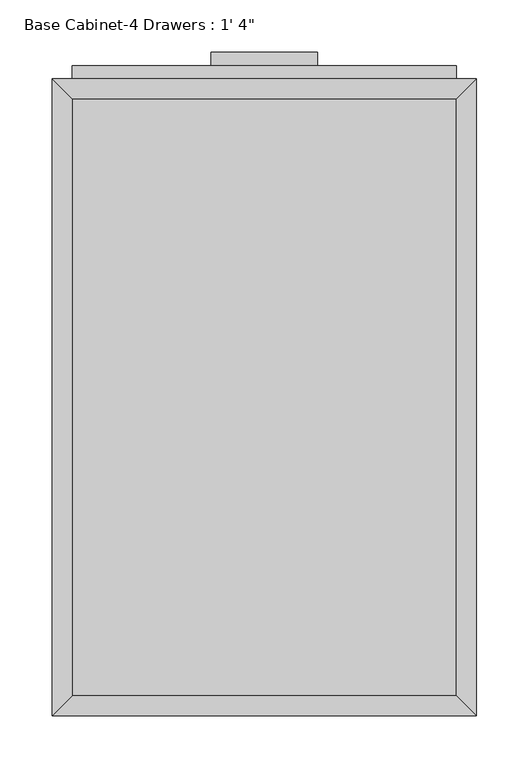
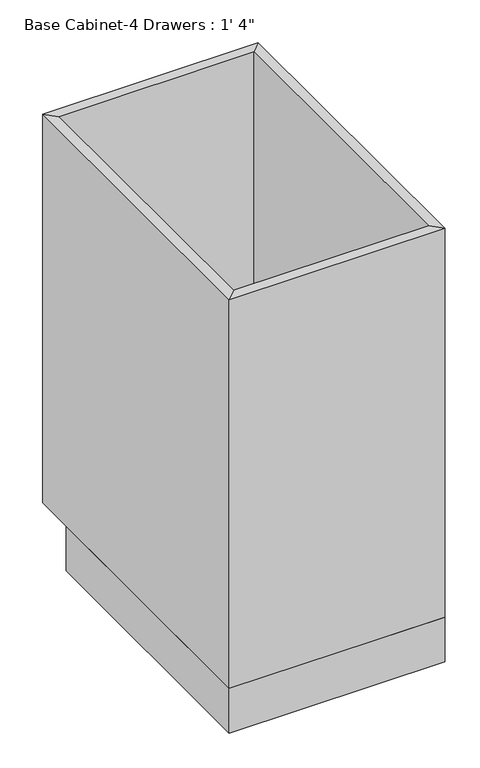
"""IFC4 building model written with IfcOpenShell, lengths in millimetres: furniture geometry."""

import ifcopenshell
import ifcopenshell.guid

model = None  # the IFC model being written
_history = None  # IfcOwnerHistory: only IFC2X3 demands one
_inside = {}  # id of a spatial element -> (the spatial element, [elements in it])
_under = {}  # id of a project, library or spatial element -> (it, [spatial elements below it])
_declared = {}  # id of a project -> (the project, [libraries it declares])
_typed = {}  # id of a type object -> (the type object, [elements of that type])
_made_of = {}  # id of a material, layer set ... -> (it, [elements and type objects made of it])


def new_model(schema):
    """Start an empty IFC model of exactly this schema.

    Asked for "IFC4X3", IfcOpenShell would pick the latest addendum, in which some entities
    have other attributes; the version numbers below select the first issue.
    IFC2X3 requires an IfcOwnerHistory on every rooted entity: one is made here for all.
    """
    global model, _history
    if schema == "IFC4X3":
        model = ifcopenshell.file(schema_version=(4, 3, 0, 0))
    else:
        model = ifcopenshell.file(schema=schema)
    _inside.clear()
    _under.clear()
    _declared.clear()
    _typed.clear()
    _made_of.clear()
    _history = None
    if model.schema == "IFC2X3":
        org = make("IfcOrganization", Name="unknown")
        user = make(
            "IfcPersonAndOrganization",
            ThePerson=make("IfcPerson", FamilyName="unknown"),
            TheOrganization=org,
        )
        app = make(
            "IfcApplication",
            ApplicationDeveloper=org,
            Version="unknown",
            ApplicationFullName="unknown",
            ApplicationIdentifier="unknown",
        )
        _history = make(
            "IfcOwnerHistory",
            OwningUser=user,
            OwningApplication=app,
            ChangeAction="ADDED",
            CreationDate=0,
        )
    return model


def make(cls, **values):
    """One entity of the class cls with the attributes given. An attribute that is None is left unset."""
    return model.create_entity(
        cls, **{name: value for name, value in values.items() if value is not None}
    )


def rooted(cls, **values):
    """An entity with a GlobalId (a new one), such as an element, a storey or a relation."""
    return make(cls, GlobalId=ifcopenshell.guid.new(), OwnerHistory=_history, **values)


def si_unit(unit_type, name, prefix=None):
    """IfcSIUnit, for example si_unit("LENGTHUNIT", "METRE", prefix="MILLI")."""
    return make("IfcSIUnit", UnitType=unit_type, Prefix=prefix, Name=name)


def assignment(units):
    """IfcUnitAssignment: the units of a project."""
    return None if units is None else make("IfcUnitAssignment", Units=units)


def point(xyz):
    """IfcCartesianPoint."""
    return None if xyz is None else make("IfcCartesianPoint", Coordinates=xyz)


def direction(xyz):
    """IfcDirection."""
    return None if xyz is None else make("IfcDirection", DirectionRatios=xyz)


def frame(location, z_axis=None, x_axis=None):
    """IfcAxis2Placement3D, a coordinate frame: its origin and axes. An axis left out is left unset."""
    return make(
        "IfcAxis2Placement3D",
        Location=point(location),
        Axis=direction(z_axis),
        RefDirection=direction(x_axis),
    )


def origin():
    """The frame at (0, 0, 0) with its axes left unset."""
    return frame((0.0, 0.0, 0.0))


def origin_with_axes():
    """The frame at (0, 0, 0) with the z axis (0, 0, 1) and the x axis (1, 0, 0) written out."""
    return frame((0.0, 0.0, 0.0), z_axis=(0.0, 0.0, 1.0), x_axis=(1.0, 0.0, 0.0))


def place(relative_to, where):
    """IfcLocalPlacement: puts the frame where relative to a parent placement (None: the world)."""
    return make(
        "IfcLocalPlacement", PlacementRelTo=relative_to, RelativePlacement=where
    )


def context(
    kind, dimensions, precision=None, world=None, true_north=None, identifier=None
):
    """IfcGeometricRepresentationContext, for example the 3D "Model" context."""
    return make(
        "IfcGeometricRepresentationContext",
        ContextIdentifier=identifier,
        ContextType=kind,
        CoordinateSpaceDimension=dimensions,
        Precision=precision,
        WorldCoordinateSystem=world,
        TrueNorth=true_north,
    )


def project(units=None, contexts=None):
    """IfcProject with its units and contexts."""
    return rooted(
        "IfcProject",
        Name="project",
        RepresentationContexts=contexts,
        UnitsInContext=assignment(units),
    )


def spatial(cls, under=None, at=None, **own):
    """A site, building, storey or space (cls), placed at a placement, below another one or the project."""
    s = rooted(cls, ObjectPlacement=at, **own)
    if under is not None:
        _under.setdefault(under.id(), (under, []))[1].append(s)
    return s


def polyline(points):
    """IfcPolyline through the points."""
    return make("IfcPolyline", Points=[point(p) for p in points])


def outline(outer, holes=None, kind="AREA"):
    """IfcArbitraryClosedProfileDef: a profile drawn as a closed curve; with holes, ...WithVoids."""
    if holes is None:
        return make("IfcArbitraryClosedProfileDef", ProfileType=kind, OuterCurve=outer)
    return make(
        "IfcArbitraryProfileDefWithVoids",
        ProfileType=kind,
        OuterCurve=outer,
        InnerCurves=holes,
    )


def extrude(swept, where, along, depth):
    """IfcExtrudedAreaSolid: the profile swept, set in the frame where, extruded along a direction by depth."""
    return make(
        "IfcExtrudedAreaSolid",
        SweptArea=swept,
        Position=where,
        ExtrudedDirection=direction(along),
        Depth=depth,
    )


def faces_of(points, faces, orient=None, outer=None):
    """IfcFace entities. A face is a list of loops; a loop is a list of indices into points, from 0.

    orient and outer hold one flag for each loop. By default every Orientation is true, the
    first loop of a face is its IfcFaceOuterBound and the others are IfcFaceBound.
    """
    made = []
    for i, loops in enumerate(faces):
        bounds = []
        for j, loop in enumerate(loops):
            is_outer = j == 0 if outer is None else outer[i][j]
            bounds.append(
                make(
                    "IfcFaceOuterBound" if is_outer else "IfcFaceBound",
                    Bound=make("IfcPolyLoop", Polygon=[points[k] for k in loop]),
                    Orientation=True if orient is None else orient[i][j],
                )
            )
        made.append(make("IfcFace", Bounds=bounds))
    return made


def faceted_brep(points, faces, orient=None, outer=None, voids=None):
    """IfcFacetedBrep: a solid bounded by flat faces; with voids (closed shells), ...WithVoids."""
    shared = [point(p) for p in points]
    hull = make("IfcClosedShell", CfsFaces=faces_of(shared, faces, orient, outer))
    if voids is None:
        return make("IfcFacetedBrep", Outer=hull)
    return make(
        "IfcFacetedBrepWithVoids",
        Outer=hull,
        Voids=[
            make(cls, CfsFaces=faces_of(shared, fs, o, b)) for cls, fs, o, b in voids
        ],
    )


def shape(context_of_items, identifier, shape_type, items):
    """IfcShapeRepresentation: the items that make up one representation, for example the "Body"."""
    return make(
        "IfcShapeRepresentation",
        ContextOfItems=context_of_items,
        RepresentationIdentifier=identifier,
        RepresentationType=shape_type,
        Items=items,
    )


def source(mapping_origin, context_of_items, identifier, shape_type, items):
    """IfcRepresentationMap: a shape defined once, which mapped items show again and again."""
    return make(
        "IfcRepresentationMap",
        MappingOrigin=mapping_origin,
        MappedRepresentation=shape(context_of_items, identifier, shape_type, items),
    )


def transform(
    local_origin,
    x_axis=None,
    y_axis=None,
    z_axis=None,
    scale=None,
    scale2=None,
    scale3=None,
    uniform=True,
):
    """IfcCartesianTransformationOperator3D, or its non-uniform kind. x_axis, y_axis, z_axis: its Axis1, 2, 3."""
    if uniform:
        return make(
            "IfcCartesianTransformationOperator3D",
            Axis1=direction(x_axis),
            Axis2=direction(y_axis),
            LocalOrigin=point(local_origin),
            Scale=scale,
            Axis3=direction(z_axis),
        )
    return make(
        "IfcCartesianTransformationOperator3DnonUniform",
        Axis1=direction(x_axis),
        Axis2=direction(y_axis),
        LocalOrigin=point(local_origin),
        Scale=scale,
        Axis3=direction(z_axis),
        Scale2=scale2,
        Scale3=scale3,
    )


def mapped(mapping_source, mapping_target):
    """IfcMappedItem: shows the shape of a source again, moved by a transform."""
    return make(
        "IfcMappedItem", MappingSource=mapping_source, MappingTarget=mapping_target
    )


def made_of(thing, what):
    """Note that an element or type object is made of a material, layer set ...; save() writes the relation."""
    if what is not None:
        _made_of.setdefault(what.id(), (what, []))[1].append(thing)
    return thing


def element(
    cls,
    number,
    at=None,
    inside=None,
    cuts=None,
    type_object=None,
    material=None,
    context=None,
    identifier="Body",
    shape_type=None,
    held_by="IfcProductDefinitionShape",
    body=None,
    shapes=None,
    **own,
):
    """One element of the class cls, such as IfcWall. Its Tag is "e" and its number.

    at: its placement. inside: the storey or other place that contains it. cuts: it is an
    opening in that element (IfcRelVoidsElement). A single representation is given by context,
    identifier, shape_type and body (its items); several are given by shapes. held_by: the class
    of the entity that holds the representations. save() writes the other relations.
    """
    e = rooted(cls, Tag="e%d" % number, ObjectPlacement=at, **own)
    if body is not None:
        shapes = [shape(context, identifier, shape_type, body)]
    if shapes is not None:
        e.Representation = make(held_by, Representations=shapes)
    if inside is not None:
        _inside.setdefault(inside.id(), (inside, []))[1].append(e)
    if cuts is not None:
        rooted(
            "IfcRelVoidsElement", RelatingBuildingElement=cuts, RelatedOpeningElement=e
        )
    if type_object is not None:
        _typed.setdefault(type_object.id(), (type_object, []))[1].append(e)
    return made_of(e, material)


def aggregate(whole, parts):
    """IfcRelAggregates: a whole, such as a stair, and the parts it consists of."""
    return rooted("IfcRelAggregates", RelatingObject=whole, RelatedObjects=parts)


def save(model, path):
    """Write the relations noted so far, then the file.

    IfcRelAggregates (storeys below a building ...), IfcRelContainedInSpatialStructure (elements
    in a storey), IfcRelDefinesByType, IfcRelAssociatesMaterial and IfcRelDeclares: one each for
    every whole, place, type object, material and project.
    """
    for whole, parts in _under.values():
        aggregate(whole, parts)
    for where, things in _inside.values():
        rooted(
            "IfcRelContainedInSpatialStructure",
            RelatedElements=things,
            RelatingStructure=where,
        )
    for kind, things in _typed.values():
        rooted("IfcRelDefinesByType", RelatedObjects=things, RelatingType=kind)
    for what, things in _made_of.values():
        rooted("IfcRelAssociatesMaterial", RelatedObjects=things, RelatingMaterial=what)
    for by, libraries in _declared.values():
        rooted("IfcRelDeclares", RelatingContext=by, RelatedDefinitions=libraries)
    model.write(path)


def furniture_8a8d3eaf(model_context):
    return source(origin(), model_context, "Body", "SolidModel", [
        extrude(outline(polyline([(69.5377049, 635.0), (69.5377049, 622.3), (-32.0622951, 622.3), (-32.0622951, 635.0), (69.5377049, 635.0)])), frame((0.0, 0.0, 806.45), z_axis=(0.0, 0.0, 1.0), x_axis=(1.0, 0.0, 0.0)), (0.0, 0.0, 1.0), 12.7),
        extrude(outline(polyline([(69.5377049, 635.0), (69.5377049, 622.3), (-32.0622951, 622.3), (-32.0622951, 635.0), (69.5377049, 635.0)])), frame((0.0, 0.0, 685.8), z_axis=(0.0, 0.0, 1.0), x_axis=(1.0, 0.0, 0.0)), (0.0, 0.0, 1.0), 12.7),
        extrude(outline(polyline([(69.5377049, 635.0), (69.5377049, 622.3), (-32.0622951, 622.3), (-32.0622951, 635.0), (69.5377049, 635.0)])), frame((0.0, 0.0, 533.4), z_axis=(0.0, 0.0, 1.0), x_axis=(1.0, 0.0, 0.0)), (0.0, 0.0, 1.0), 12.7),
        extrude(outline(polyline([(69.5377049, 635.0), (69.5377049, 622.3), (-32.0622951, 622.3), (-32.0622951, 635.0), (69.5377049, 635.0)])), frame((0.0, 0.0, 381.0), z_axis=(0.0, 0.0, 1.0), x_axis=(1.0, 0.0, 0.0)), (0.0, 0.0, 1.0), 12.7),
        extrude(outline(polyline([(202.8877049, 622.3), (202.8877049, 609.6), (-165.4122951, 609.6), (-165.4122951, 622.3), (202.8877049, 622.3)])), frame((0.0, 0.0, 736.6), z_axis=(0.0, 0.0, 1.0), x_axis=(1.0, 0.0, 0.0)), (0.0, 0.0, 1.0), 107.95),
        extrude(outline(polyline([(202.8877049, 622.3), (202.8877049, 609.6), (-165.4122951, 609.6), (-165.4122951, 622.3), (202.8877049, 622.3)])), frame((0.0, 0.0, 584.2), z_axis=(0.0, 0.0, 1.0), x_axis=(1.0, 0.0, 0.0)), (0.0, 0.0, 1.0), 139.7),
        extrude(outline(polyline([(202.8877049, 622.3), (202.8877049, 609.6), (-165.4122951, 609.6), (-165.4122951, 622.3), (202.8877049, 622.3)])), frame((0.0, 0.0, 431.8), z_axis=(0.0, 0.0, 1.0), x_axis=(1.0, 0.0, 0.0)), (0.0, 0.0, 1.0), 139.7),
        extrude(outline(polyline([(202.8877049, 622.3), (202.8877049, 609.6), (-165.4122951, 609.6), (-165.4122951, 622.3), (202.8877049, 622.3)])), frame((0.0, 0.0, 120.65), z_axis=(0.0, 0.0, 1.0), x_axis=(1.0, 0.0, 0.0)), (0.0, 0.0, 1.0), 298.45),
        extrude(outline(polyline([(202.8877049, 19.05), (-165.4122951, 19.05), (-165.4122951, 590.55), (202.8877049, 590.55), (202.8877049, 19.05)])), frame((0.0, 0.0, 88.9), z_axis=(0.0, 0.0, 1.0), x_axis=(1.0, 0.0, 0.0)), (0.0, 0.0, 1.0), 19.05),
        faceted_brep([(202.8877049, 590.55, 863.6), (-165.4122951, 590.55, 863.6), (-165.4122951, 590.55, 88.9), (202.8877049, 590.55, 88.9), (221.9377049, 609.6, 863.6), (-184.4622951, 609.6, 863.6), (221.9377049, 609.6, 88.9), (-184.4622951, 609.6, 88.9), (-165.4122951, 19.05, 863.6), (-165.4122951, 19.05, 88.9), (-184.4622951, 0.0, 863.6), (-184.4622951, 0.0, 88.9), (202.8877049, 19.05, 863.6), (202.8877049, 19.05, 88.9), (221.9377049, 0.0, 863.6), (221.9377049, 0.0, 88.9)], [[[0, 1, 2, 3]], [[4, 5, 1, 0]], [[6, 7, 5, 4]], [[3, 2, 7, 6]], [[1, 8, 9, 2]], [[5, 10, 8, 1]], [[7, 11, 10, 5]], [[2, 9, 11, 7]], [[8, 12, 13, 9]], [[10, 14, 12, 8]], [[11, 15, 14, 10]], [[9, 13, 15, 11]], [[12, 0, 3, 13]], [[14, 4, 0, 12]], [[15, 6, 4, 14]], [[13, 3, 6, 15]]]),
        extrude(outline(polyline([(221.9377049, 0.0), (-184.4622951, 0.0), (-184.4622951, 533.4), (221.9377049, 533.4), (221.9377049, 0.0)])), origin_with_axes(), (0.0, 0.0, 1.0), 88.9),
    ])


if __name__ == "__main__":
    model = new_model("IFC4")
    model_context = context("Model", 3, world=origin())
    ifc_project = project(units=[si_unit("LENGTHUNIT", "METRE", prefix="MILLI")], contexts=[model_context])
    site = spatial("IfcSite", under=ifc_project)
    building = spatial("IfcBuilding", under=site)
    placement = place(None, origin())
    furniture_shape = furniture_8a8d3eaf(model_context)
    element("IfcFurniture", 1, ObjectType="Base Cabinet-4 Drawers : 1' 4\"", at=placement, inside=building, context=model_context, shape_type="MappedRepresentation", body=[
        mapped(furniture_shape, transform((0.0, 0.0, 0.0), x_axis=(1.0, 0.0, 0.0), y_axis=(0.0, 1.0, 0.0), z_axis=(0.0, 0.0, 1.0))),
    ])
    save(model, "model.ifc")
